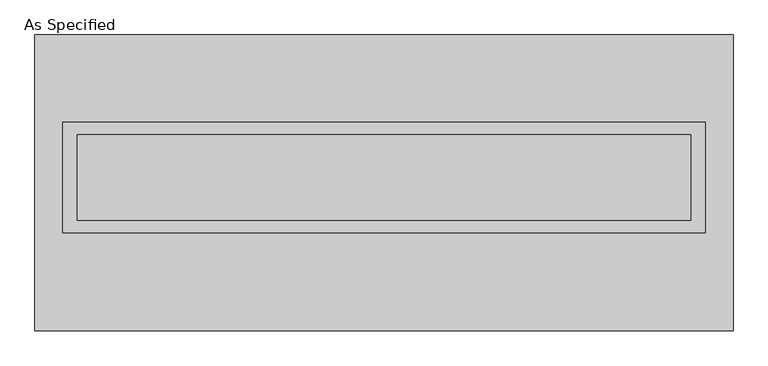
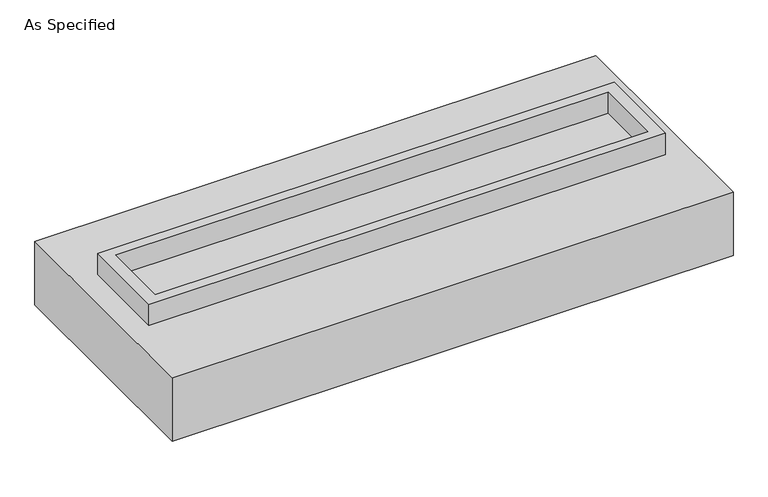
"""IFC4 building model written with IfcOpenShell, lengths in millimetres: proxy geometry, As Specified."""

import ifcopenshell
import ifcopenshell.guid

model = None  # the IFC model being written
_history = None  # IfcOwnerHistory: only IFC2X3 demands one
_inside = {}  # id of a spatial element -> (the spatial element, [elements in it])
_under = {}  # id of a project, library or spatial element -> (it, [spatial elements below it])
_declared = {}  # id of a project -> (the project, [libraries it declares])
_typed = {}  # id of a type object -> (the type object, [elements of that type])
_made_of = {}  # id of a material, layer set ... -> (it, [elements and type objects made of it])


def new_model(schema):
    """Start an empty IFC model of exactly this schema.

    Asked for "IFC4X3", IfcOpenShell would pick the latest addendum, in which some entities
    have other attributes; the version numbers below select the first issue.
    IFC2X3 requires an IfcOwnerHistory on every rooted entity: one is made here for all.
    """
    global model, _history
    if schema == "IFC4X3":
        model = ifcopenshell.file(schema_version=(4, 3, 0, 0))
    else:
        model = ifcopenshell.file(schema=schema)
    _inside.clear()
    _under.clear()
    _declared.clear()
    _typed.clear()
    _made_of.clear()
    _history = None
    if model.schema == "IFC2X3":
        org = make("IfcOrganization", Name="unknown")
        user = make(
            "IfcPersonAndOrganization",
            ThePerson=make("IfcPerson", FamilyName="unknown"),
            TheOrganization=org,
        )
        app = make(
            "IfcApplication",
            ApplicationDeveloper=org,
            Version="unknown",
            ApplicationFullName="unknown",
            ApplicationIdentifier="unknown",
        )
        _history = make(
            "IfcOwnerHistory",
            OwningUser=user,
            OwningApplication=app,
            ChangeAction="ADDED",
            CreationDate=0,
        )
    return model


def make(cls, **values):
    """One entity of the class cls with the attributes given. An attribute that is None is left unset."""
    return model.create_entity(
        cls, **{name: value for name, value in values.items() if value is not None}
    )


def rooted(cls, **values):
    """An entity with a GlobalId (a new one), such as an element, a storey or a relation."""
    return make(cls, GlobalId=ifcopenshell.guid.new(), OwnerHistory=_history, **values)


def si_unit(unit_type, name, prefix=None):
    """IfcSIUnit, for example si_unit("LENGTHUNIT", "METRE", prefix="MILLI")."""
    return make("IfcSIUnit", UnitType=unit_type, Prefix=prefix, Name=name)


def assignment(units):
    """IfcUnitAssignment: the units of a project."""
    return None if units is None else make("IfcUnitAssignment", Units=units)


def point(xyz):
    """IfcCartesianPoint."""
    return None if xyz is None else make("IfcCartesianPoint", Coordinates=xyz)


def direction(xyz):
    """IfcDirection."""
    return None if xyz is None else make("IfcDirection", DirectionRatios=xyz)


def frame(location, z_axis=None, x_axis=None):
    """IfcAxis2Placement3D, a coordinate frame: its origin and axes. An axis left out is left unset."""
    return make(
        "IfcAxis2Placement3D",
        Location=point(location),
        Axis=direction(z_axis),
        RefDirection=direction(x_axis),
    )


def origin():
    """The frame at (0, 0, 0) with its axes left unset."""
    return frame((0.0, 0.0, 0.0))


def place(relative_to, where):
    """IfcLocalPlacement: puts the frame where relative to a parent placement (None: the world)."""
    return make(
        "IfcLocalPlacement", PlacementRelTo=relative_to, RelativePlacement=where
    )


def context(
    kind, dimensions, precision=None, world=None, true_north=None, identifier=None
):
    """IfcGeometricRepresentationContext, for example the 3D "Model" context."""
    return make(
        "IfcGeometricRepresentationContext",
        ContextIdentifier=identifier,
        ContextType=kind,
        CoordinateSpaceDimension=dimensions,
        Precision=precision,
        WorldCoordinateSystem=world,
        TrueNorth=true_north,
    )


def project(units=None, contexts=None):
    """IfcProject with its units and contexts."""
    return rooted(
        "IfcProject",
        Name="project",
        RepresentationContexts=contexts,
        UnitsInContext=assignment(units),
    )


def spatial(cls, under=None, at=None, **own):
    """A site, building, storey or space (cls), placed at a placement, below another one or the project."""
    s = rooted(cls, ObjectPlacement=at, **own)
    if under is not None:
        _under.setdefault(under.id(), (under, []))[1].append(s)
    return s


def polyline(points):
    """IfcPolyline through the points."""
    return make("IfcPolyline", Points=[point(p) for p in points])


def outline(outer, holes=None, kind="AREA"):
    """IfcArbitraryClosedProfileDef: a profile drawn as a closed curve; with holes, ...WithVoids."""
    if holes is None:
        return make("IfcArbitraryClosedProfileDef", ProfileType=kind, OuterCurve=outer)
    return make(
        "IfcArbitraryProfileDefWithVoids",
        ProfileType=kind,
        OuterCurve=outer,
        InnerCurves=holes,
    )


def extrude(swept, where, along, depth):
    """IfcExtrudedAreaSolid: the profile swept, set in the frame where, extruded along a direction by depth."""
    return make(
        "IfcExtrudedAreaSolid",
        SweptArea=swept,
        Position=where,
        ExtrudedDirection=direction(along),
        Depth=depth,
    )


def shape(context_of_items, identifier, shape_type, items):
    """IfcShapeRepresentation: the items that make up one representation, for example the "Body"."""
    return make(
        "IfcShapeRepresentation",
        ContextOfItems=context_of_items,
        RepresentationIdentifier=identifier,
        RepresentationType=shape_type,
        Items=items,
    )


def source(mapping_origin, context_of_items, identifier, shape_type, items):
    """IfcRepresentationMap: a shape defined once, which mapped items show again and again."""
    return make(
        "IfcRepresentationMap",
        MappingOrigin=mapping_origin,
        MappedRepresentation=shape(context_of_items, identifier, shape_type, items),
    )


def transform(
    local_origin,
    x_axis=None,
    y_axis=None,
    z_axis=None,
    scale=None,
    scale2=None,
    scale3=None,
    uniform=True,
):
    """IfcCartesianTransformationOperator3D, or its non-uniform kind. x_axis, y_axis, z_axis: its Axis1, 2, 3."""
    if uniform:
        return make(
            "IfcCartesianTransformationOperator3D",
            Axis1=direction(x_axis),
            Axis2=direction(y_axis),
            LocalOrigin=point(local_origin),
            Scale=scale,
            Axis3=direction(z_axis),
        )
    return make(
        "IfcCartesianTransformationOperator3DnonUniform",
        Axis1=direction(x_axis),
        Axis2=direction(y_axis),
        LocalOrigin=point(local_origin),
        Scale=scale,
        Axis3=direction(z_axis),
        Scale2=scale2,
        Scale3=scale3,
    )


def mapped(mapping_source, mapping_target):
    """IfcMappedItem: shows the shape of a source again, moved by a transform."""
    return make(
        "IfcMappedItem", MappingSource=mapping_source, MappingTarget=mapping_target
    )


def made_of(thing, what):
    """Note that an element or type object is made of a material, layer set ...; save() writes the relation."""
    if what is not None:
        _made_of.setdefault(what.id(), (what, []))[1].append(thing)
    return thing


def element(
    cls,
    number,
    at=None,
    inside=None,
    cuts=None,
    type_object=None,
    material=None,
    context=None,
    identifier="Body",
    shape_type=None,
    held_by="IfcProductDefinitionShape",
    body=None,
    shapes=None,
    **own,
):
    """One element of the class cls, such as IfcWall. Its Tag is "e" and its number.

    at: its placement. inside: the storey or other place that contains it. cuts: it is an
    opening in that element (IfcRelVoidsElement). A single representation is given by context,
    identifier, shape_type and body (its items); several are given by shapes. held_by: the class
    of the entity that holds the representations. save() writes the other relations.
    """
    e = rooted(cls, Tag="e%d" % number, ObjectPlacement=at, **own)
    if body is not None:
        shapes = [shape(context, identifier, shape_type, body)]
    if shapes is not None:
        e.Representation = make(held_by, Representations=shapes)
    if inside is not None:
        _inside.setdefault(inside.id(), (inside, []))[1].append(e)
    if cuts is not None:
        rooted(
            "IfcRelVoidsElement", RelatingBuildingElement=cuts, RelatedOpeningElement=e
        )
    if type_object is not None:
        _typed.setdefault(type_object.id(), (type_object, []))[1].append(e)
    return made_of(e, material)


def aggregate(whole, parts):
    """IfcRelAggregates: a whole, such as a stair, and the parts it consists of."""
    return rooted("IfcRelAggregates", RelatingObject=whole, RelatedObjects=parts)


def save(model, path):
    """Write the relations noted so far, then the file.

    IfcRelAggregates (storeys below a building ...), IfcRelContainedInSpatialStructure (elements
    in a storey), IfcRelDefinesByType, IfcRelAssociatesMaterial and IfcRelDeclares: one each for
    every whole, place, type object, material and project.
    """
    for whole, parts in _under.values():
        aggregate(whole, parts)
    for where, things in _inside.values():
        rooted(
            "IfcRelContainedInSpatialStructure",
            RelatedElements=things,
            RelatingStructure=where,
        )
    for kind, things in _typed.values():
        rooted("IfcRelDefinesByType", RelatedObjects=things, RelatingType=kind)
    for what, things in _made_of.values():
        rooted("IfcRelAssociatesMaterial", RelatedObjects=things, RelatingMaterial=what)
    for by, libraries in _declared.values():
        rooted("IfcRelDeclares", RelatingContext=by, RelatedDefinitions=libraries)
    model.write(path)


def as_specified_1793d65c(model_context):
    return source(origin(), model_context, "Body", "SweptSolid", [
        extrude(outline(polyline([(1917.7, 361.95), (1917.7, -298.45), (-1917.7, -298.45), (-1917.7, 361.95), (1917.7, 361.95)]), holes=[polyline([(1828.8, 285.75), (-1828.8, 285.75), (-1828.8, -222.25), (1828.8, -222.25), (1828.8, 285.75)])]), frame((0.0, 0.0, -688.975), z_axis=(0.0, 0.0, 1.0), x_axis=(1.0, 0.0, 0.0)), (0.0, 0.0, 1.0), 165.1),
        extrude(outline(polyline([(1917.7, 361.95), (1917.7, -298.45), (-1917.7, -298.45), (-1917.7, 361.95), (1917.7, 361.95)]), holes=[polyline([(1828.8, 285.75), (-1828.8, 285.75), (-1828.8, -222.25), (1828.8, -222.25), (1828.8, 285.75)])]), frame((0.0, 0.0, -25.4), z_axis=(0.0, 0.0, 1.0), x_axis=(1.0, 0.0, 0.0)), (0.0, 0.0, 1.0), 165.1),
        extrude(outline(polyline([(1828.8, 285.75), (1828.8, -222.25), (-1828.8, -222.25), (-1828.8, 285.75), (1828.8, 285.75)])), frame((0.0, 0.0, -523.875), z_axis=(0.0, 0.0, 1.0), x_axis=(1.0, 0.0, 0.0)), (0.0, 0.0, 1.0), 4.9609375),
        extrude(outline(polyline([(1828.8, 285.75), (1828.8, -222.25), (-1828.8, -222.25), (-1828.8, 285.75), (1828.8, 285.75)])), frame((0.0, 0.0, -30.3609375), z_axis=(0.0, 0.0, 1.0), x_axis=(1.0, 0.0, 0.0)), (0.0, 0.0, 1.0), 4.9609375),
        extrude(outline(polyline([(2082.8, -882.65), (-2082.8, -882.65), (-2082.8, 882.65), (2082.8, 882.65), (2082.8, -882.65)]), holes=[polyline([(-1917.7, 361.95), (-1917.7, -298.45), (1917.7, -298.45), (1917.7, 361.95), (-1917.7, 361.95)])]), frame((0.0, 0.0, -523.875), z_axis=(0.0, 0.0, 1.0), x_axis=(1.0, 0.0, 0.0)), (0.0, 0.0, 1.0), 498.475),
    ])


if __name__ == "__main__":
    model = new_model("IFC4")
    model_context = context("Model", 3, world=origin())
    ifc_project = project(units=[si_unit("LENGTHUNIT", "METRE", prefix="MILLI")], contexts=[model_context])
    site = spatial("IfcSite", under=ifc_project)
    building = spatial("IfcBuilding", under=site)
    placement = place(None, origin())
    as_specified_shape = as_specified_1793d65c(model_context)
    element("IfcBuildingElementProxy", 1, Name="As Specified", ObjectType="As Specified", at=placement, inside=building, context=model_context, shape_type="MappedRepresentation", body=[
        mapped(as_specified_shape, transform((0.0, 0.0, 0.0), x_axis=(1.0, 0.0, 0.0), y_axis=(0.0, 1.0, 0.0), z_axis=(0.0, 0.0, 1.0))),
    ])
    save(model, "model.ifc")
